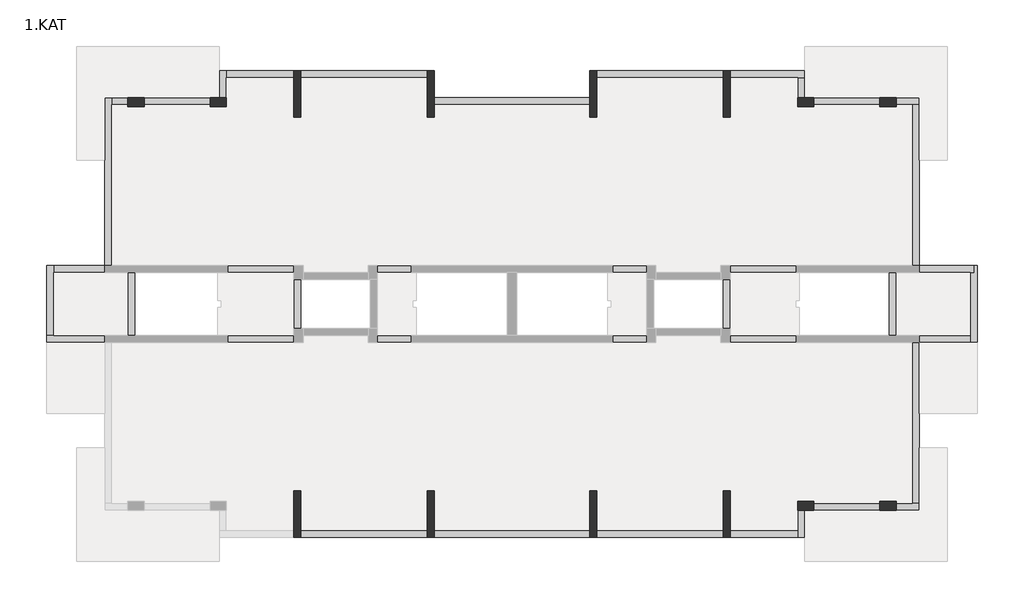
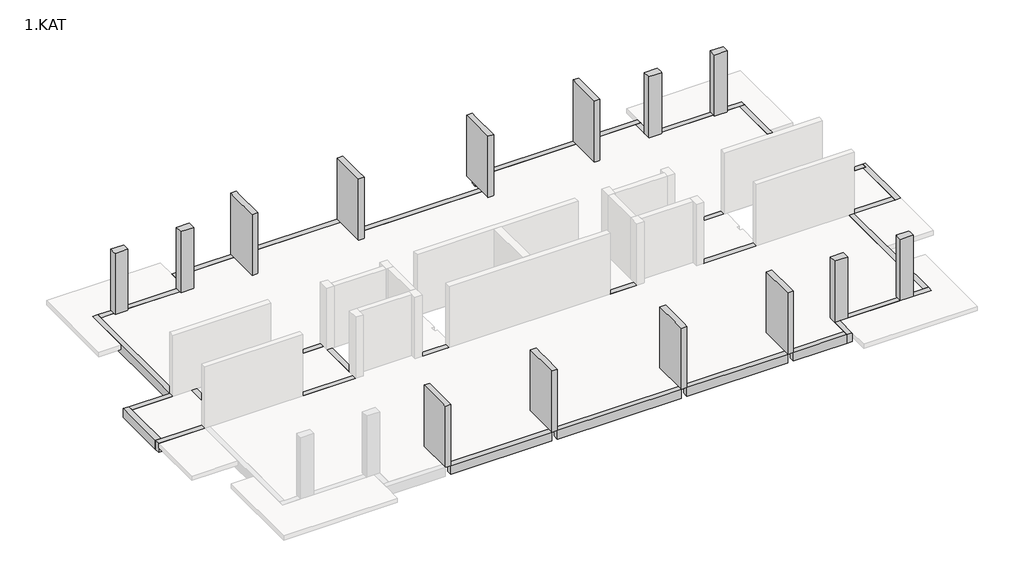
# One storey, part 2 of 2: 39 beams, 14 columns.
"""IFC4 building model written with IfcOpenShell, lengths in millimetres."""

from ifc_helpers import new_model, si_unit, frame, origin, place, context, project, spatial, polyline, outline, extrude, faceted_brep, element, save

model = new_model("IFC4")

# Units and contexts
model_context = context("Model", 3, world=origin())
ifc_project = project(units=[si_unit("LENGTHUNIT", "METRE", prefix="MILLI")], contexts=[model_context])

# Site, building, storey
site = spatial("IfcSite", under=ifc_project)
building = spatial("IfcBuilding", under=site)
storey = spatial("IfcBuildingStorey", under=building, Name="1.KAT", Elevation=3000.0)

# Beams
placement = place(None, origin())
element("IfcBeam", 1, ObjectType="0300x0500mm", at=placement, inside=storey, context=model_context, shape_type="Brep", body=[
    faceted_brep([(-17263.9481409, 3613.7341847, 3000.0), (-16963.9481409, 3613.7341847, 3000.0), (-16963.9481409, 10563.7341837, 3000.0), (-16963.9481409, 10863.7341837, 3000.0), (-17263.9481409, 10863.7341837, 3000.0), (-17263.9481409, 8163.7342045, 3000.0), (-17263.9481409, 3613.7341847, 2500.0), (-17263.9481409, 10863.7341837, 2750.0), (-17263.9481409, 10863.7341837, 2500.0), (-16963.9481409, 3613.7341847, 2500.0), (-16963.9481409, 10863.7341837, 2500.0), (-16963.9481409, 10563.7341837, 2500.0), (-16963.9481409, 10863.7341837, 2750.0)], [[[0, 1, 2, 3, 4, 5]], [[6, 0, 5, 4, 7, 8]], [[9, 6, 8, 10, 11]], [[1, 9, 11, 10, 12, 3, 2]], [[1, 0, 6, 9]], [[4, 3, 12, 10, 8, 7]]]),
])
element("IfcBeam", 2, ObjectType="0300x0500mm", at=placement, inside=storey, context=model_context, shape_type="Brep", body=[
    faceted_brep([(-16263.8827493, 10563.7341837, 3000.0), (-16263.8827493, 10863.7341837, 3000.0), (-16963.9481409, 10863.7341837, 3000.0), (-16963.9481409, 10563.7341837, 3000.0), (-16263.8827493, 10863.7341837, 2750.0), (-16263.8827493, 10863.7341837, 2500.0), (-16963.9481409, 10863.7341837, 2500.0), (-16963.9481409, 10863.7341837, 2750.0), (-16263.8827493, 10563.7341837, 2500.0), (-16963.9481409, 10563.7341837, 2500.0), (-16963.9481409, 10563.7341837, 2750.0), (-16263.8827493, 10563.7341837, 2750.0)], [[[0, 1, 2, 3]], [[2, 1, 4, 5, 6, 7]], [[5, 8, 9, 6]], [[0, 3, 10, 9, 8, 11]], [[8, 5, 4, 1, 0, 11]], [[3, 2, 7, 6, 9, 10]]]),
])
element("IfcBeam", 3, ObjectType="0300x0500mm", at=placement, inside=storey, context=model_context, shape_type="Brep", body=[
    faceted_brep([(-12713.8842187, 10863.7341837, 3000.0), (-15563.885688, 10863.7341837, 3000.0), (-15563.885688, 10563.7341837, 3000.0), (-12713.8842187, 10563.7341837, 3000.0), (-15563.885688, 10563.7341837, 2750.0), (-15563.885688, 10563.7341837, 2500.0), (-12713.8842187, 10563.7341837, 2500.0), (-12713.8842187, 10563.7341837, 2750.0), (-15563.885688, 10863.7341837, 2500.0), (-12713.8842187, 10863.7341837, 2500.0), (-12713.8842187, 10863.7341837, 2750.0), (-15563.885688, 10863.7341837, 2750.0)], [[[0, 1, 2, 3]], [[3, 2, 4, 5, 6, 7]], [[6, 5, 8, 9]], [[1, 0, 10, 9, 8, 11]], [[0, 3, 7, 6, 9, 10]], [[8, 5, 4, 2, 1, 11]]]),
])
element("IfcBeam", 4, ObjectType="0300x0500mm", at=placement, inside=storey, context=model_context, shape_type="Brep", body=[
    faceted_brep([(-12313.8842902, 12013.7341837, 3000.0), (-12313.8842902, 10863.7344449, 3000.0), (-12013.8842902, 10863.7344449, 3000.0), (-12013.8842902, 11713.7202124, 3000.0), (-12013.8842902, 12013.7341837, 3000.0), (-12013.8842902, 10863.7344449, 2500.0), (-12013.8842902, 11713.7341837, 2500.0), (-12013.8842902, 12013.7341837, 2500.0), (-12013.8842902, 10863.7344449, 2750.0), (-12313.8842902, 10863.7344449, 2500.0), (-12313.8842902, 12013.7341837, 2500.0)], [[[0, 1, 2, 3, 4]], [[5, 6, 7, 4, 3, 2, 8]], [[7, 6, 5, 9, 10]], [[1, 0, 10, 9]], [[0, 4, 7, 10]], [[1, 9, 5, 8, 2]]]),
])
element("IfcBeam", 5, ObjectType="0300x0500mm", at=placement, inside=storey, context=model_context, shape_type="SweptSolid", body=[
    extrude(outline(polyline([(-9113.8829729, 12013.7341837), (-9113.8829729, 11713.7341837), (-12013.8842902, 11713.7341837), (-12013.8842902, 12013.7341837), (-9113.8829729, 12013.7341837)])), frame((0.0, 0.0, 2500.0), z_axis=(0.0, 0.0, 1.0), x_axis=(1.0, 0.0, 0.0)), (0.0, 0.0, 1.0), 500.0),
])
element("IfcBeam", 6, ObjectType="0300x0500mm", at=placement, inside=storey, context=model_context, shape_type="SweptSolid", body=[
    extrude(outline(polyline([(-3363.8837543, 12013.7341837), (-3363.8837543, 11713.7341837), (-8813.8837412, 11713.7341837), (-8813.8837412, 12013.7341837), (-3363.8837543, 12013.7341837)])), frame((0.0, 0.0, 2500.0), z_axis=(0.0, 0.0, 1.0), x_axis=(1.0, 0.0, 0.0)), (0.0, 0.0, 1.0), 500.0),
])
element("IfcBeam", 7, ObjectType="0300x0500mm", at=placement, inside=storey, context=model_context, shape_type="Brep", body=[
    faceted_brep([(3636.0829916, 10863.7341837, 3000.0), (-3063.8837543, 10863.7341837, 3000.0), (-3063.8837543, 10563.7341837, 3000.0), (3636.0829916, 10563.7341837, 3000.0), (-3063.8837543, 10563.7341837, 2750.0), (-3063.8837543, 10563.7341837, 2500.0), (3636.0829916, 10563.7341837, 2500.0), (3636.0829916, 10563.7341837, 2750.0), (-3063.8837543, 10863.7341837, 2500.0), (3636.0829916, 10863.7341837, 2500.0)], [[[0, 1, 2, 3]], [[3, 2, 4, 5, 6, 7]], [[6, 5, 8, 9]], [[1, 0, 9, 8]], [[1, 8, 5, 4, 2]], [[0, 3, 7, 6, 9]]]),
])
element("IfcBeam", 8, ObjectType="0300x0500mm", at=placement, inside=storey, context=model_context, shape_type="SweptSolid", body=[
    extrude(outline(polyline([(9386.0521408, 12013.7341837), (9386.0521408, 11713.7341837), (3936.0506845, 11713.7341837), (3936.0506845, 12013.7341837), (9386.0521408, 12013.7341837)])), frame((0.0, 0.0, 2500.0), z_axis=(0.0, 0.0, 1.0), x_axis=(1.0, 0.0, 0.0)), (0.0, 0.0, 1.0), 500.0),
])
element("IfcBeam", 9, ObjectType="0300x0500mm", at=placement, inside=storey, context=model_context, shape_type="Brep", body=[
    faceted_brep([(9686.1162492, 12013.7341837, 3000.0), (9686.1162492, 11713.7341837, 3000.0), (12586.0195429, 11713.7341837, 3000.0), (12886.0511489, 11713.7341837, 3000.0), (12886.0511489, 12013.7341837, 3000.0), (9686.1162492, 11713.7341837, 2500.0), (12586.0511489, 11713.7341837, 2500.0), (12886.0511489, 11713.7341837, 2500.0), (9686.1162492, 12013.7341837, 2500.0), (12886.0511489, 12013.7341837, 2500.0)], [[[0, 1, 2, 3, 4]], [[1, 5, 6, 7, 3, 2]], [[5, 8, 9, 7, 6]], [[8, 0, 4, 9]], [[0, 8, 5, 1]], [[4, 3, 7, 9]]]),
])
element("IfcBeam", 10, ObjectType="0300x0500mm", at=placement, inside=storey, context=model_context, shape_type="Brep", body=[
    faceted_brep([(16136.0526182, 10863.7341837, 3000.0), (13286.0511489, 10863.7341837, 3000.0), (13286.0511489, 10563.7341837, 3000.0), (16136.0526182, 10563.7341837, 3000.0), (13286.0511489, 10563.7341837, 2750.0), (13286.0511489, 10563.7341837, 2500.0), (16136.0526182, 10563.7341837, 2500.0), (16136.0526182, 10563.7341837, 2750.0), (13286.0511489, 10863.7341837, 2500.0), (16136.0526182, 10863.7341837, 2500.0), (16136.0526182, 10863.7341837, 2750.0), (13286.0511489, 10863.7341837, 2750.0)], [[[0, 1, 2, 3]], [[3, 2, 4, 5, 6, 7]], [[6, 5, 8, 9]], [[1, 0, 10, 9, 8, 11]], [[0, 3, 7, 6, 9, 10]], [[8, 5, 4, 2, 1, 11]]]),
])
element("IfcBeam", 11, ObjectType="0300x0500mm", at=placement, inside=storey, context=model_context, shape_type="Brep", body=[
    faceted_brep([(16836.0829916, 10863.7341837, 3000.0), (16836.0829916, 10563.7341837, 3000.0), (17536.0197797, 10563.7341837, 3000.0), (17836.0513856, 10563.7341837, 3000.0), (17836.0513856, 10863.7341837, 3000.0), (16836.0829916, 10563.7341837, 2500.0), (17536.0513856, 10563.7341837, 2500.0), (17836.0513856, 10563.7341837, 2500.0), (17836.0513856, 10563.7341837, 2750.0), (16836.0829916, 10563.7341837, 2750.0), (16836.0829916, 10863.7341837, 2500.0), (17836.0513856, 10863.7341837, 2500.0), (17836.0513856, 10863.7341837, 2750.0), (16836.0829916, 10863.7341837, 2750.0)], [[[0, 1, 2, 3, 4]], [[5, 6, 7, 8, 3, 2, 1, 9]], [[5, 10, 11, 7, 6]], [[0, 4, 12, 11, 10, 13]], [[10, 5, 9, 1, 0, 13]], [[4, 3, 8, 7, 11, 12]]]),
])
element("IfcBeam", 12, ObjectType="0300x0500mm", at=placement, inside=storey, context=model_context, shape_type="Brep", body=[
    faceted_brep([(17536.0513856, 3613.7341837, 3000.0), (17836.0513856, 3613.7341837, 3000.0), (17836.0513856, 8163.7342066, 3000.0), (17836.0513856, 10563.7341837, 3000.0), (17536.0513856, 10563.7341837, 3000.0), (17836.0513856, 3613.7341837, 2500.0), (17836.0513856, 10563.7341837, 2500.0), (17836.0513856, 10563.7341837, 2750.0), (17536.0513856, 3613.7341837, 2500.0), (17536.0513856, 10563.7341837, 2500.0)], [[[0, 1, 2, 3, 4]], [[1, 5, 6, 7, 3, 2]], [[5, 8, 9, 6]], [[8, 0, 4, 9]], [[1, 0, 8, 5]], [[4, 3, 7, 6, 9]]]),
])
element("IfcBeam", 13, ObjectType="0300x0500mm", at=placement, inside=storey, context=model_context, shape_type="Brep", body=[
    faceted_brep([(20036.0506847, 313.7342048, 3000.0), (20336.0506847, 313.7342048, 3000.0), (20336.0506847, 3613.7341837, 3000.0), (20185.5510351, 3613.7341837, 3000.0), (20185.5510351, 3313.7341837, 3000.0), (20036.0506847, 3313.7341837, 3000.0), (20036.0506847, 3313.2341943, 3000.0), (20036.0506847, 613.7342048, 3000.0), (20036.0506847, 313.7342048, 2500.0), (20036.0506847, 3313.7341837, 2500.0), (20036.0506847, 613.7342048, 2500.0), (20336.0506847, 313.7342048, 2500.0), (20185.5510351, 3313.7341837, 2500.0), (20185.5510351, 3613.7341837, 2500.0), (20336.0506847, 3613.7341837, 2500.0)], [[[0, 1, 2, 3, 4, 5, 6, 7]], [[8, 0, 7, 6, 5, 9, 10]], [[11, 8, 10, 9, 12, 13, 14]], [[1, 11, 14, 2]], [[1, 0, 8, 11]], [[2, 14, 13, 3]], [[12, 4, 3, 13]], [[4, 12, 9, 5]]]),
])
element("IfcBeam", 14, ObjectType="0300x0500mm", at=placement, inside=storey, context=model_context, shape_type="Brep", body=[
    faceted_brep([(16836.0834651, -6636.2657952, 3000.0), (16836.0834651, -6936.2657952, 3000.0), (17836.0513856, -6936.2657952, 3000.0), (17836.0513856, -6636.2657952, 3000.0), (17536.0197797, -6636.2657952, 3000.0), (16836.0834651, -6636.2657952, 2500.0), (16836.0834651, -6636.2657952, 2750.0), (17836.0513856, -6636.2657952, 2750.0), (17836.0513856, -6636.2657952, 2500.0), (17536.0513856, -6636.2657952, 2500.0), (16836.0834651, -6936.2657952, 2500.0), (17836.0513856, -6936.2657952, 2500.0), (16836.0834651, -6936.2657952, 2750.0), (17836.0513856, -6936.2657952, 2750.0)], [[[0, 1, 2, 3, 4]], [[5, 6, 0, 4, 3, 7, 8, 9]], [[10, 5, 9, 8, 11]], [[2, 1, 12, 10, 11, 13]], [[1, 0, 6, 5, 10, 12]], [[3, 2, 13, 11, 8, 7]]]),
])
element("IfcBeam", 15, ObjectType="0300x0500mm", at=placement, inside=storey, context=model_context, shape_type="Brep", body=[
    faceted_brep([(13286.0834651, -6936.2657952, 3000.0), (16136.0834651, -6936.2657952, 3000.0), (16136.0834651, -6636.2657952, 3000.0), (13286.0834651, -6636.2657952, 3000.0), (16136.0834651, -6636.2657952, 2750.0), (16136.0834651, -6636.2657952, 2500.0), (13286.0834651, -6636.2657952, 2500.0), (13286.0834651, -6636.2657952, 2750.0), (16136.0834651, -6936.2657952, 2500.0), (13286.0834651, -6936.2657952, 2500.0), (13286.0834651, -6936.2657952, 2750.0), (16136.0834651, -6936.2657952, 2750.0)], [[[0, 1, 2, 3]], [[3, 2, 4, 5, 6, 7]], [[6, 5, 8, 9]], [[1, 0, 10, 9, 8, 11]], [[0, 3, 7, 6, 9, 10]], [[8, 5, 4, 2, 1, 11]]]),
])
element("IfcBeam", 16, ObjectType="0300x0500mm", at=placement, inside=storey, context=model_context, shape_type="Brep", body=[
    faceted_brep([(12886.0511489, -6936.2658055, 3000.0), (12586.0511489, -6936.2658055, 3000.0), (12586.0511489, -7786.2657952, 3000.0), (12586.0511489, -8086.2657952, 3000.0), (12886.0511489, -8086.2657952, 3000.0), (12586.0511489, -6936.2658055, 2500.0), (12586.0511489, -7786.2657952, 2500.0), (12586.0511489, -8086.2657952, 2500.0), (12586.0511489, -6936.2658055, 2750.0), (12886.0511489, -6936.2658055, 2500.0), (12886.0511489, -8086.2657952, 2500.0)], [[[0, 1, 2, 3, 4]], [[5, 6, 7, 3, 2, 1, 8]], [[5, 9, 10, 7, 6]], [[9, 0, 4, 10]], [[0, 9, 5, 8, 1]], [[4, 3, 7, 10]]]),
])
element("IfcBeam", 17, ObjectType="0300x0500mm", at=placement, inside=storey, context=model_context, shape_type="SweptSolid", body=[
    extrude(outline(polyline([(9686.0499031, -8086.2657952), (9686.0499031, -7786.2657952), (12586.0511489, -7786.2657952), (12586.0511489, -8086.2657952), (9686.0499031, -8086.2657952)])), frame((0.0, 0.0, 2500.0), z_axis=(0.0, 0.0, 1.0), x_axis=(1.0, 0.0, 0.0)), (0.0, 0.0, 1.0), 500.0),
])
element("IfcBeam", 18, ObjectType="0300x0500mm", at=placement, inside=storey, context=model_context, shape_type="SweptSolid", body=[
    extrude(outline(polyline([(3936.1162457, -8086.2657952), (3936.1162457, -7786.2657952), (9386.1162492, -7786.2657952), (9386.1162492, -8086.2657952), (3936.1162457, -8086.2657952)])), frame((0.0, 0.0, 2500.0), z_axis=(0.0, 0.0, 1.0), x_axis=(1.0, 0.0, 0.0)), (0.0, 0.0, 1.0), 500.0),
])
element("IfcBeam", 19, ObjectType="0300x0500mm", at=placement, inside=storey, context=model_context, shape_type="SweptSolid", body=[
    extrude(outline(polyline([(-3063.8837543, -8086.2657952), (-3063.8837543, -7786.2657952), (3636.0829916, -7786.2657952), (3636.0829916, -8086.2657952), (-3063.8837543, -8086.2657952)])), frame((0.0, 0.0, 2500.0), z_axis=(0.0, 0.0, 1.0), x_axis=(1.0, 0.0, 0.0)), (0.0, 0.0, 1.0), 500.0),
])
element("IfcBeam", 20, ObjectType="0300x0500mm", at=placement, inside=storey, context=model_context, shape_type="SweptSolid", body=[
    extrude(outline(polyline([(-8813.8837412, -8086.2657952), (-8813.8837412, -7786.2657952), (-3363.8837543, -7786.2657952), (-3363.8837543, -8086.2657952), (-8813.8837412, -8086.2657952)])), frame((0.0, 0.0, 2500.0), z_axis=(0.0, 0.0, 1.0), x_axis=(1.0, 0.0, 0.0)), (0.0, 0.0, 1.0), 500.0),
])
element("IfcBeam", 21, ObjectType="0300x0500mm", at=placement, inside=storey, context=model_context, shape_type="Brep", body=[
    faceted_brep([(-19763.8837544, 613.7342048, 3000.0), (-19763.8837544, 313.7342048, 3000.0), (-17263.9481409, 313.7342048, 3000.0), (-17263.9481409, 613.7342048, 3000.0), (-19463.8837544, 613.7342048, 3000.0), (-19763.8837544, 613.7342048, 2500.0), (-17263.9481409, 613.7342048, 2500.0), (-19463.8837544, 613.7342048, 2500.0), (-19763.8837544, 313.7342048, 2500.0), (-17263.9481409, 313.7342048, 2500.0), (-17263.9481409, 313.7342048, 2750.0)], [[[0, 1, 2, 3, 4]], [[5, 0, 4, 3, 6, 7]], [[8, 5, 7, 6, 9]], [[1, 8, 9, 10, 2]], [[3, 2, 10, 9, 6]], [[1, 0, 5, 8]]]),
])
element("IfcBeam", 22, ObjectType="0300x0500mm", at=placement, inside=storey, context=model_context, shape_type="Brep", body=[
    faceted_brep([(-19463.8837544, 3613.7341837, 3000.0), (-19763.8837544, 3613.7341837, 3000.0), (-19763.8837544, 613.7342048, 3000.0), (-19463.8837544, 613.7342048, 3000.0), (-19463.8837544, 3313.7341837, 3000.0), (-19463.8837544, 3613.7341837, 2500.0), (-19463.8837544, 613.7342048, 2750.0), (-19463.8837544, 613.7342048, 2500.0), (-19463.8837544, 3313.7341837, 2500.0), (-19763.8837544, 3613.7341837, 2500.0), (-19763.8837544, 613.7342048, 2500.0)], [[[0, 1, 2, 3, 4]], [[5, 0, 4, 3, 6, 7, 8]], [[9, 5, 8, 7, 10]], [[1, 9, 10, 2]], [[3, 2, 10, 7, 6]], [[1, 0, 5, 9]]]),
])
element("IfcBeam", 23, ObjectType="0300x0500mm", at=placement, inside=storey, context=model_context, shape_type="SweptSolid", body=[
    extrude(outline(polyline([(-19463.8837544, 3313.7341837), (-19463.8837544, 3613.7341837), (-17263.9481409, 3613.7341837), (-17263.9481409, 3313.7341837), (-19463.8837544, 3313.7341837)])), frame((0.0, 0.0, 2500.0), z_axis=(0.0, 0.0, 1.0), x_axis=(1.0, 0.0, 0.0)), (0.0, 0.0, 1.0), 500.0),
])
element("IfcBeam", 24, ObjectType="0300x0500mm", at=placement, inside=storey, context=model_context, shape_type="Brep", body=[
    faceted_brep([(-11963.4325746, 3613.7341986, 2500.0), (-11963.4325746, 3313.7341986, 2500.0), (-11963.4325746, 3313.7341986, 3000.0), (-11963.4325746, 3613.7341986, 3000.0), (-11963.4325746, 3613.7341986, 2750.0), (-9113.9486144, 3313.7341986, 3000.0), (-9113.9486144, 3613.7341986, 3000.0), (-9113.9486144, 3313.7341986, 2500.0), (-9113.9486144, 3313.7341986, 2750.0), (-9113.9486144, 3613.7341986, 2500.0), (-9113.9486144, 3613.7341986, 2750.0)], [[[0, 1, 2, 3, 4]], [[3, 2, 5, 6]], [[2, 1, 7, 8, 5]], [[1, 0, 9, 7]], [[3, 6, 10, 9, 0, 4]], [[6, 5, 8, 7, 9, 10]]]),
])
element("IfcBeam", 25, ObjectType="0300x0500mm", at=placement, inside=storey, context=model_context, shape_type="Brep", body=[
    faceted_brep([(-11963.4161844, 613.734211, 3000.0), (-11963.4161844, 613.734211, 2500.0), (-11963.4161844, 313.734211, 2500.0), (-11963.4161844, 313.734211, 2750.0), (-11963.4161844, 313.734211, 3000.0), (-9113.9486144, 313.734211, 3000.0), (-9113.9486144, 613.734211, 3000.0), (-9113.9486144, 313.734211, 2500.0), (-9113.9486144, 313.734211, 2750.0), (-9113.9486144, 613.734211, 2500.0), (-9113.9486144, 613.734211, 2750.0)], [[[0, 1, 2, 3, 4]], [[0, 4, 5, 6]], [[5, 4, 3, 2, 7, 8]], [[2, 1, 9, 7]], [[1, 0, 6, 10, 9]], [[6, 5, 8, 7, 9, 10]]]),
])
element("IfcBeam", 26, ObjectType="0300x0500mm", at=placement, inside=storey, context=model_context, shape_type="Brep", body=[
    faceted_brep([(-4063.9295487, 313.734211, 2500.0), (-4063.9295487, 613.734211, 2500.0), (-4063.9295487, 613.734211, 3000.0), (-4063.9295487, 313.734211, 3000.0), (-4063.9295487, 313.734211, 2750.0), (-5513.9408939, 613.734211, 3000.0), (-5513.9408939, 313.734211, 3000.0), (-5513.9408939, 613.734211, 2500.0), (-5513.9408939, 313.734211, 2500.0), (-5513.9408939, 313.734211, 2750.0)], [[[0, 1, 2, 3, 4]], [[3, 2, 5, 6]], [[2, 1, 7, 5]], [[1, 0, 8, 7]], [[3, 6, 9, 8, 0, 4]], [[6, 5, 7, 8, 9]]]),
])
element("IfcBeam", 27, ObjectType="0300x0500mm", at=placement, inside=storey, context=model_context, shape_type="Brep", body=[
    faceted_brep([(-4063.9295487, 3313.7341986, 3000.0), (-4063.9295487, 3313.7341986, 2500.0), (-4063.9295487, 3613.7341986, 2500.0), (-4063.9295487, 3613.7341986, 2750.0), (-4063.9295487, 3613.7341986, 3000.0), (-5513.9408939, 3613.7341986, 3000.0), (-5513.9408939, 3313.7341986, 3000.0), (-5513.9408939, 3613.7341986, 2500.0), (-5513.9408939, 3613.7341986, 2750.0), (-5513.9408939, 3313.7341986, 2500.0)], [[[0, 1, 2, 3, 4]], [[0, 4, 5, 6]], [[5, 4, 3, 2, 7, 8]], [[2, 1, 9, 7]], [[1, 0, 6, 9]], [[6, 5, 8, 7, 9]]]),
])
element("IfcBeam", 28, ObjectType="0300x0500mm", at=placement, inside=storey, context=model_context, shape_type="SweptSolid", body=[
    extrude(outline(polyline([(9686.0513856, 3313.7341837), (9686.0513856, 3613.7341837), (12536.0513856, 3613.7341837), (12536.0513856, 3313.7341837), (9686.0513856, 3313.7341837)])), frame((0.0, 0.0, 2500.0), z_axis=(0.0, 0.0, 1.0), x_axis=(1.0, 0.0, 0.0)), (0.0, 0.0, 1.0), 500.0),
])
element("IfcBeam", 29, ObjectType="0300x0500mm", at=placement, inside=storey, context=model_context, shape_type="Brep", body=[
    faceted_brep([(9686.0671886, 313.7342048, 3000.0), (9686.0671886, 613.7342048, 3000.0), (9686.0671886, 613.7342048, 2500.0), (9686.0671886, 313.7342048, 2500.0), (9686.0671886, 313.7342048, 2750.0), (12536.0671886, 313.7342048, 2500.0), (12536.0671886, 613.7342048, 2500.0), (12536.0671886, 613.7342048, 3000.0), (12536.0671886, 313.7342048, 3000.0), (12536.0671886, 313.7342048, 2750.0)], [[[0, 1, 2, 3, 4]], [[5, 6, 7, 8, 9]], [[1, 0, 8, 7]], [[2, 1, 7, 6]], [[3, 2, 6, 5]], [[8, 0, 4, 3, 5, 9]]]),
])
element("IfcBeam", 30, ObjectType="0300x0500mm", at=placement, inside=storey, context=model_context, shape_type="Brep", body=[
    faceted_brep([(4636.5672109, 3613.7341976, 2500.0), (4636.5672109, 3313.7341976, 2500.0), (4636.5672109, 3313.7341976, 3000.0), (4636.5672109, 3613.7341976, 3000.0), (4636.5672109, 3613.7341976, 2750.0), (6086.0513856, 3313.7341976, 3000.0), (6086.0513856, 3613.7341976, 3000.0), (6086.0513856, 3313.7341976, 2500.0), (6086.0513856, 3613.7341976, 2500.0), (6086.0513856, 3613.7341976, 2750.0)], [[[0, 1, 2, 3, 4]], [[3, 2, 5, 6]], [[2, 1, 7, 5]], [[1, 0, 8, 7]], [[3, 6, 9, 8, 0, 4]], [[6, 5, 7, 8, 9]]]),
])
element("IfcBeam", 31, ObjectType="0300x0500mm", at=placement, inside=storey, context=model_context, shape_type="Brep", body=[
    faceted_brep([(4636.5672109, 613.7342048, 3000.0), (4636.5672109, 613.7342048, 2500.0), (4636.5672109, 313.7342048, 2500.0), (4636.5672109, 313.7342048, 2750.0), (4636.5672109, 313.7342048, 3000.0), (6086.0513856, 313.7342048, 3000.0), (6086.0513856, 613.7342048, 3000.0), (6086.0513856, 313.7342048, 2500.0), (6086.0513856, 613.7342048, 2500.0)], [[[0, 1, 2, 3, 4]], [[0, 4, 5, 6]], [[3, 2, 7, 5, 4]], [[2, 1, 8, 7]], [[1, 0, 6, 8]], [[6, 5, 7, 8]]]),
])
element("IfcBeam", 32, ObjectType="0300x0500mm", at=placement, inside=storey, context=model_context, shape_type="SweptSolid", body=[
    extrude(outline(polyline([(-9113.9486144, 3013.7471696), (-8813.9486144, 3013.7471696), (-8813.9486144, 913.7303849), (-9113.9486144, 913.7303849), (-9113.9486144, 3013.7471696)])), frame((0.0, 0.0, 2500.0), z_axis=(0.0, 0.0, 1.0), x_axis=(1.0, 0.0, 0.0)), (0.0, 0.0, 1.0), 500.0),
])
element("IfcBeam", 33, ObjectType="0300x0500mm", at=placement, inside=storey, context=model_context, shape_type="SweptSolid", body=[
    extrude(outline(polyline([(9686.0513856, 914.2296444), (9386.0513856, 914.2296444), (9386.0513856, 3013.2296444), (9686.0513856, 3013.2296444), (9686.0513856, 914.2296444)])), frame((0.0, 0.0, 2500.0), z_axis=(0.0, 0.0, 1.0), x_axis=(1.0, 0.0, 0.0)), (0.0, 0.0, 1.0), 500.0),
])
element("IfcBeam", 34, ObjectType="0300x0500mm", at=placement, inside=storey, context=model_context, shape_type="SweptSolid", body=[
    extrude(outline(polyline([(16836.0513856, 614.2341943), (16536.0513856, 614.2341943), (16536.0513856, 3313.2341943), (16836.0513856, 3313.2341943), (16836.0513856, 614.2341943)])), frame((0.0, 0.0, 2500.0), z_axis=(0.0, 0.0, 1.0), x_axis=(1.0, 0.0, 0.0)), (0.0, 0.0, 1.0), 500.0),
])
element("IfcBeam", 35, ObjectType="0300x0500mm", at=placement, inside=storey, context=model_context, shape_type="Brep", body=[
    faceted_brep([(-15963.9481409, 3313.7341847, 3000.0), (-16263.9481409, 3313.7341847, 3000.0), (-16263.9481409, 613.7342048, 3000.0), (-15963.9481409, 613.7342048, 3000.0), (-16263.9481409, 3313.7341847, 2750.0), (-16263.9481409, 3313.7341847, 2500.0), (-16263.9481409, 613.7342048, 2500.0), (-16263.9481409, 613.7342048, 2750.0), (-15963.9481409, 3313.7341847, 2500.0), (-15963.9481409, 613.7342048, 2500.0)], [[[0, 1, 2, 3]], [[1, 4, 5, 6, 7, 2]], [[5, 8, 9, 6]], [[8, 0, 3, 9]], [[1, 0, 8, 5, 4]], [[3, 2, 7, 6, 9]]]),
])
element("IfcBeam", 36, ObjectType="0300x0500mm", at=placement, inside=storey, context=model_context, shape_type="Brep", body=[
    faceted_brep([(17836.5510351, 313.7342048, 3000.0), (17836.5510351, 613.7342048, 3000.0), (17836.5510351, 613.7342048, 2500.0), (17836.5510351, 313.7342048, 2500.0), (20036.0506847, 313.7342048, 3000.0), (20036.0506847, 613.7342048, 3000.0), (20036.0506847, 613.7342048, 2750.0), (20036.0506847, 613.7342048, 2500.0), (20036.0506847, 313.7342048, 2500.0)], [[[0, 1, 2, 3]], [[1, 0, 4, 5]], [[2, 1, 5, 6, 7]], [[3, 2, 7, 8]], [[0, 3, 8, 4]], [[5, 4, 8, 7, 6]]]),
])
element("IfcBeam", 37, ObjectType="0300x0500mm", at=placement, inside=storey, context=model_context, shape_type="Brep", body=[
    faceted_brep([(12586.0511489, 10863.7344588, 3000.0), (12886.0511489, 10863.7344588, 3000.0), (12886.0511489, 11713.7341837, 3000.0), (12586.0511489, 11713.7341837, 3000.0), (12586.0511489, 11713.7341837, 2750.0), (12586.0511489, 11713.7341837, 2500.0), (12586.0511489, 10863.7344588, 2500.0), (12586.0511489, 10863.7344588, 2750.0), (12886.0511489, 10863.7344588, 2500.0), (12886.0511489, 11713.7341837, 2500.0)], [[[0, 1, 2, 3]], [[0, 3, 4, 5, 6, 7]], [[8, 6, 5, 9]], [[1, 8, 9, 2]], [[1, 0, 7, 6, 8]], [[3, 2, 9, 5, 4]]]),
])
element("IfcBeam", 38, ObjectType="0300x0500mm", at=placement, inside=storey, context=model_context, shape_type="Brep", body=[
    faceted_brep([(17836.0513856, 313.7342048, 3000.0), (17536.0513856, 313.7342048, 3000.0), (17536.0513856, -6636.2657952, 3000.0), (17836.0513856, -6636.2657952, 3000.0), (17836.0513856, -4236.2658371, 3000.0), (17836.0513856, -2761.2658013, 3000.0), (17536.0513856, 313.7342048, 2750.0), (17536.0513856, 313.7342048, 2500.0), (17536.0513856, -6636.2657952, 2500.0), (17836.0513856, 313.7342048, 2500.0), (17836.0513856, -6636.2657952, 2500.0), (17836.0513856, 313.7342048, 2750.0), (17836.0513856, -6636.2657952, 2750.0)], [[[0, 1, 2, 3, 4, 5]], [[1, 6, 7, 8, 2]], [[7, 9, 10, 8]], [[10, 9, 11, 0, 5, 4, 3, 12]], [[1, 0, 11, 9, 7, 6]], [[3, 2, 8, 10, 12]]]),
])
element("IfcBeam", 39, ObjectType="0300x0500mm", at=placement, inside=storey, context=model_context, shape_type="Brep", body=[
    faceted_brep([(20185.5510351, 3613.7341837, 3000.0), (20185.5510351, 3313.7341837, 3000.0), (20185.5510351, 3313.7341837, 2500.0), (20185.5510351, 3613.7341837, 2500.0), (17836.0513856, 3613.7341837, 3000.0), (17836.0513856, 3313.7341837, 3000.0), (20036.0506847, 3313.7341837, 3000.0), (17836.0513856, 3313.7341837, 2500.0), (20036.0506847, 3313.7341837, 2500.0), (17836.0513856, 3613.7341837, 2500.0)], [[[0, 1, 2, 3]], [[1, 0, 4, 5, 6]], [[2, 1, 6, 5, 7, 8]], [[3, 2, 8, 7, 9]], [[0, 3, 9, 4]], [[4, 9, 7, 5]]]),
])

# Columns
element("IfcColumn", 40, ObjectType="0700x0400mm", at=placement, inside=storey, context=model_context, shape_type="Brep", body=[
    faceted_brep([(-12013.9481409, 10863.7341838, 3000.0), (-12013.9481409, 10463.7341838, 3000.0), (-12713.9481409, 10463.7341838, 3000.0), (-12713.9481409, 10863.7341838, 3000.0), (-12013.9481409, 10863.7341838, 6250.0), (-12013.9481409, 10863.7341838, 6500.0), (-12013.9481409, 10463.7341838, 6500.0), (-12013.9481409, 10463.7341838, 6250.0), (-12713.9481409, 10463.7341838, 6500.0), (-12713.9481409, 10463.7341838, 6250.0), (-12713.9481409, 10563.7341698, 6500.0), (-12713.9481409, 10863.7341838, 6500.0)], [[[0, 1, 2, 3]], [[1, 0, 4, 5, 6, 7]], [[2, 1, 7, 6, 8, 9]], [[3, 2, 9, 8, 10, 11]], [[0, 3, 11, 5, 4]], [[6, 5, 11, 10, 8]]]),
])
element("IfcColumn", 41, ObjectType="0700x0400mm", at=placement, inside=storey, context=model_context, shape_type="Brep", body=[
    faceted_brep([(-15563.9481409, 10863.7341838, 3000.0), (-15563.9481409, 10463.7341838, 3000.0), (-16263.9481409, 10463.7341838, 3000.0), (-16263.9481409, 10863.7341838, 3000.0), (-15563.9481409, 10863.7341838, 6500.0), (-15563.9481409, 10563.7341698, 6500.0), (-15563.9481409, 10463.7341838, 6500.0), (-15563.9481409, 10463.7341838, 6250.0), (-16263.9481409, 10463.7341838, 6500.0), (-16263.9481409, 10463.7341838, 6250.0), (-16263.9481409, 10563.7341698, 6500.0), (-16263.9481409, 10863.7341838, 6500.0)], [[[0, 1, 2, 3]], [[1, 0, 4, 5, 6, 7]], [[2, 1, 7, 6, 8, 9]], [[3, 2, 9, 8, 10, 11]], [[0, 3, 11, 4]], [[8, 6, 5, 4, 11, 10]]]),
])
element("IfcColumn", 42, ObjectType="0700x0400mm", at=placement, inside=storey, context=model_context, shape_type="Brep", body=[
    faceted_brep([(13286.0513856, -6536.2657952, 3000.0), (13286.0513856, -6936.2657952, 3000.0), (12586.0513856, -6936.2657952, 3000.0), (12586.0513856, -6536.2657952, 3000.0), (13286.0513856, -6536.2657952, 6250.0), (13286.0513856, -6536.2657952, 6500.0), (13286.0513856, -6636.2658004, 6500.0), (13286.0513856, -6936.2657952, 6500.0), (12586.0513856, -6936.2657952, 6500.0), (12586.0513856, -6936.2657952, 6250.0), (12586.0513856, -6536.2657952, 6500.0), (12586.0513856, -6536.2657952, 6250.0)], [[[0, 1, 2, 3]], [[1, 0, 4, 5, 6, 7]], [[2, 1, 7, 8, 9]], [[3, 2, 9, 8, 10, 11]], [[0, 3, 11, 10, 5, 4]], [[8, 7, 6, 5, 10]]]),
])
element("IfcColumn", 43, ObjectType="0700x0400mm", at=placement, inside=storey, context=model_context, shape_type="Brep", body=[
    faceted_brep([(16836.0513856, -6536.2657952, 3000.0), (16836.0513856, -6936.2657952, 3000.0), (16136.0513856, -6936.2657952, 3000.0), (16136.0513856, -6536.2657952, 3000.0), (16836.0513856, -6536.2657952, 6250.0), (16836.0513856, -6536.2657952, 6500.0), (16836.0513856, -6636.2658004, 6500.0), (16836.0513856, -6936.2657952, 6500.0), (16136.0513856, -6936.2657952, 6500.0), (16136.0513856, -6636.2658004, 6500.0), (16136.0513856, -6536.2657952, 6500.0), (16136.0513856, -6536.2657952, 6250.0)], [[[0, 1, 2, 3]], [[1, 0, 4, 5, 6, 7]], [[2, 1, 7, 8]], [[3, 2, 8, 9, 10, 11]], [[0, 3, 11, 10, 5, 4]], [[8, 7, 6, 5, 10, 9]]]),
])
element("IfcColumn", 44, ObjectType="0700x0400mm", at=placement, inside=storey, context=model_context, shape_type="Brep", body=[
    faceted_brep([(16836.0513856, 10863.7341838, 3000.0), (16836.0513856, 10463.7341838, 3000.0), (16136.0513856, 10463.7341838, 3000.0), (16136.0513856, 10863.7341838, 3000.0), (16836.0513856, 10863.7341838, 6500.0), (16836.0513856, 10563.7341837, 6500.0), (16836.0513856, 10463.7341838, 6500.0), (16836.0513856, 10463.7341838, 6250.0), (16136.0513856, 10463.7341838, 6500.0), (16136.0513856, 10463.7341838, 6250.0), (16136.0513856, 10563.7341837, 6500.0), (16136.0513856, 10863.7341838, 6500.0)], [[[0, 1, 2, 3]], [[1, 0, 4, 5, 6, 7]], [[2, 1, 7, 6, 8, 9]], [[3, 2, 9, 8, 10, 11]], [[0, 3, 11, 4]], [[8, 6, 5, 4, 11, 10]]]),
])
element("IfcColumn", 45, ObjectType="0700x0400mm", at=placement, inside=storey, context=model_context, shape_type="Brep", body=[
    faceted_brep([(13286.0513856, 10863.7341838, 3000.0), (13286.0513856, 10463.7341838, 3000.0), (12586.0513856, 10463.7341838, 3000.0), (12586.0513856, 10863.7341838, 3000.0), (13286.0513856, 10863.7341838, 6500.0), (13286.0513856, 10563.7341837, 6500.0), (13286.0513856, 10463.7341838, 6500.0), (13286.0513856, 10463.7341838, 6250.0), (12586.0513856, 10463.7341838, 6500.0), (12586.0513856, 10463.7341838, 6250.0), (12586.0513856, 10863.7341838, 6500.0), (12586.0513856, 10863.7341838, 6250.0)], [[[0, 1, 2, 3]], [[1, 0, 4, 5, 6, 7]], [[2, 1, 7, 6, 8, 9]], [[3, 2, 9, 8, 10, 11]], [[0, 3, 11, 10, 4]], [[8, 6, 5, 4, 10]]]),
])
element("IfcColumn", 46, ObjectType="2000x0300mm", at=placement, inside=storey, context=model_context, shape_type="Brep", body=[
    faceted_brep([(-9113.9486144, 12013.7341837, 3000.0), (-8813.9486144, 12013.7341837, 3000.0), (-8813.9486144, 10013.7341837, 3000.0), (-9113.9486144, 10013.7341837, 3000.0), (-9113.9486144, 12013.7341837, 6500.0), (-8813.9486144, 12013.7341837, 6500.0), (-8813.9486144, 11713.7202154, 6500.0), (-8813.9486144, 10013.7341837, 6500.0), (-8813.9486144, 10013.7341837, 6250.0), (-9113.9486144, 10013.7341837, 6500.0), (-9113.9486144, 10013.7341837, 6250.0), (-9113.9486144, 11713.7202154, 6500.0)], [[[0, 1, 2, 3]], [[1, 0, 4, 5]], [[2, 1, 5, 6, 7, 8]], [[3, 2, 8, 7, 9, 10]], [[0, 3, 10, 9, 11, 4]], [[5, 4, 11, 9, 7, 6]]]),
])
element("IfcColumn", 47, ObjectType="2000x0300mm", at=placement, inside=storey, context=model_context, shape_type="Brep", body=[
    faceted_brep([(-3363.9486144, 12013.7341837, 3000.0), (-3063.9486144, 12013.7341837, 3000.0), (-3063.9486144, 10013.7341837, 3000.0), (-3363.9486144, 10013.7341837, 3000.0), (-3363.9486144, 12013.7341837, 6500.0), (-3063.9486144, 12013.7341837, 6500.0), (-3063.9486144, 10863.7380253, 6500.0), (-3063.9486144, 10563.7341837, 6500.0), (-3063.9486144, 10013.7341837, 6500.0), (-3063.9486144, 10013.7341837, 6250.0), (-3363.9486144, 10013.7341837, 6500.0), (-3363.9486144, 10013.7341837, 6250.0), (-3363.9486144, 11713.7202154, 6500.0)], [[[0, 1, 2, 3]], [[1, 0, 4, 5]], [[2, 1, 5, 6, 7, 8, 9]], [[3, 2, 9, 8, 10, 11]], [[0, 3, 11, 10, 12, 4]], [[5, 4, 12, 10, 8, 7, 6]]]),
])
element("IfcColumn", 48, ObjectType="2000x0300mm", at=placement, inside=storey, context=model_context, shape_type="Brep", body=[
    faceted_brep([(9386.0513856, 12013.7341837, 3000.0), (9686.0513856, 12013.7341837, 3000.0), (9686.0513856, 10013.7341837, 3000.0), (9386.0513856, 10013.7341837, 3000.0), (9386.0513856, 12013.7341837, 6500.0), (9686.0513856, 12013.7341837, 6500.0), (9686.0513856, 11713.7202154, 6500.0), (9686.0513856, 10013.7341837, 6500.0), (9686.0513856, 10013.7341837, 6250.0), (9386.0513856, 10013.7341837, 6500.0), (9386.0513856, 10013.7341837, 6250.0), (9386.0513856, 11713.7202154, 6500.0)], [[[0, 1, 2, 3]], [[1, 0, 4, 5]], [[2, 1, 5, 6, 7, 8]], [[3, 2, 8, 7, 9, 10]], [[0, 3, 10, 9, 11, 4]], [[5, 4, 11, 9, 7, 6]]]),
])
element("IfcColumn", 49, ObjectType="2000x0300mm", at=placement, inside=storey, context=model_context, shape_type="Brep", body=[
    faceted_brep([(3636.0513856, 12013.7341837, 3000.0), (3936.0513856, 12013.7341837, 3000.0), (3936.0513856, 10013.7341837, 3000.0), (3636.0513856, 10013.7341837, 3000.0), (3636.0513856, 12013.7341837, 6500.0), (3936.0513856, 12013.7341837, 6500.0), (3936.0513856, 11713.7202154, 6500.0), (3936.0513856, 10013.7341837, 6500.0), (3636.0513856, 10013.7341837, 6500.0), (3636.0513856, 10563.7380253, 6500.0), (3636.0513856, 10863.7380253, 6500.0)], [[[0, 1, 2, 3]], [[4, 5, 1, 0]], [[5, 6, 7, 2, 1]], [[7, 8, 3, 2]], [[8, 9, 10, 4, 0, 3]], [[4, 10, 9, 8, 7, 6, 5]]]),
])
element("IfcColumn", 50, ObjectType="2000x0300mm", at=placement, inside=storey, context=model_context, shape_type="Brep", body=[
    faceted_brep([(-9113.9486144, -6086.2657952, 3000.0), (-8813.9486144, -6086.2657952, 3000.0), (-8813.9486144, -8086.2657952, 3000.0), (-9113.9486144, -8086.2657952, 3000.0), (-9113.9486144, -6086.2657952, 6250.0), (-9113.9486144, -6086.2657952, 6500.0), (-8813.9486144, -6086.2657952, 6500.0), (-8813.9486144, -6086.2657952, 6250.0), (-8813.9486144, -7786.2657952, 6500.0), (-8813.9486144, -8086.2657952, 6500.0), (-8813.9486144, -8086.2657952, 6000.0), (-9113.9486144, -8086.2657952, 6500.0), (-9113.9486144, -7786.2657952, 6500.0)], [[[0, 1, 2, 3]], [[1, 0, 4, 5, 6, 7]], [[2, 1, 7, 6, 8, 9, 10]], [[3, 2, 10, 9, 11]], [[0, 3, 11, 12, 5, 4]], [[6, 5, 12, 11, 9, 8]]]),
])
element("IfcColumn", 51, ObjectType="2000x0300mm", at=placement, inside=storey, context=model_context, shape_type="Brep", body=[
    faceted_brep([(-3363.9486144, -6086.2657952, 3000.0), (-3063.9486144, -6086.2657952, 3000.0), (-3063.9486144, -8086.2657952, 3000.0), (-3363.9486144, -8086.2657952, 3000.0), (-3363.9486144, -6086.2657952, 6250.0), (-3363.9486144, -6086.2657952, 6500.0), (-3063.9486144, -6086.2657952, 6500.0), (-3063.9486144, -6086.2657952, 6250.0), (-3063.9486144, -6636.2657952, 6500.0), (-3063.9486144, -6936.2657952, 6500.0), (-3063.9486144, -8086.2657952, 6500.0), (-3363.9486144, -8086.2657952, 6500.0), (-3363.9486144, -8086.2657952, 6000.0), (-3363.9486144, -7786.2657952, 6500.0)], [[[0, 1, 2, 3]], [[1, 0, 4, 5, 6, 7]], [[2, 1, 7, 6, 8, 9, 10]], [[3, 2, 10, 11, 12]], [[0, 3, 12, 11, 13, 5, 4]], [[6, 5, 13, 11, 10, 9, 8]]]),
])
element("IfcColumn", 52, ObjectType="2000x0300mm", at=placement, inside=storey, context=model_context, shape_type="Brep", body=[
    faceted_brep([(9386.0513856, -6086.2657952, 3000.0), (9686.0513856, -6086.2657952, 3000.0), (9686.0513856, -8086.2657952, 3000.0), (9386.0513856, -8086.2657952, 3000.0), (9386.0513856, -6086.2657952, 6250.0), (9386.0513856, -6086.2657952, 6500.0), (9686.0513856, -6086.2657952, 6500.0), (9686.0513856, -6086.2657952, 6250.0), (9686.0513856, -7786.2657952, 6500.0), (9686.0513856, -8086.2657952, 6500.0), (9386.0513856, -8086.2657952, 6500.0), (9386.0513856, -7786.2657952, 6500.0)], [[[0, 1, 2, 3]], [[1, 0, 4, 5, 6, 7]], [[2, 1, 7, 6, 8, 9]], [[3, 2, 9, 10]], [[0, 3, 10, 11, 5, 4]], [[6, 5, 11, 10, 9, 8]]]),
])
element("IfcColumn", 53, ObjectType="2000x0300mm", at=placement, inside=storey, context=model_context, shape_type="Brep", body=[
    faceted_brep([(3636.0513856, -6086.2657952, 3000.0), (3936.0513856, -6086.2657952, 3000.0), (3936.0513856, -8086.2657952, 3000.0), (3636.0513856, -8086.2657952, 3000.0), (3636.0513856, -6086.2657952, 6250.0), (3636.0513856, -6086.2657952, 6500.0), (3936.0513856, -6086.2657952, 6500.0), (3936.0513856, -6086.2657952, 6250.0), (3936.0513856, -7786.2657952, 6500.0), (3936.0513856, -8086.2657952, 6500.0), (3636.0513856, -8086.2657952, 6500.0), (3636.0513856, -6936.2657952, 6500.0), (3636.0513856, -6636.2657952, 6500.0)], [[[0, 1, 2, 3]], [[1, 0, 4, 5, 6, 7]], [[2, 1, 7, 6, 8, 9]], [[3, 2, 9, 10]], [[0, 3, 10, 11, 12, 5, 4]], [[6, 5, 12, 11, 10, 9, 8]]]),
])

save(model, "model.ifc")
